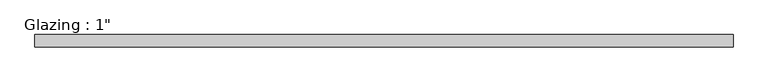
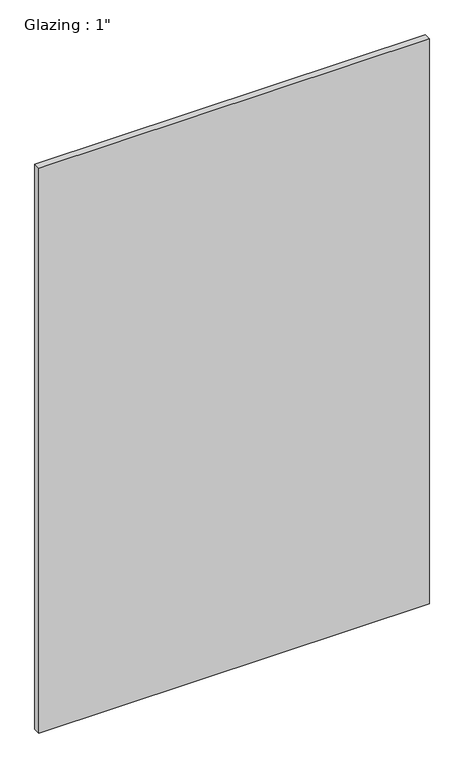
"""IFC4 building model written with IfcOpenShell, lengths in millimetres: plate geometry."""

from ifc_helpers import new_model, si_unit, origin, origin_with_axes, place, context, project, spatial, polyline, outline, extrude, source, transform, mapped, element, save


def plate_cb13481a(model_context):
    return source(origin(), model_context, "Body", "SweptSolid", [
        extrude(outline(polyline([(712.2881578, -12.7), (-712.2881578, -12.7), (-712.2881578, 12.7), (712.2881578, 12.7), (712.2881578, -12.7)])), origin_with_axes(), (0.0, 0.0, 1.0), 2177.9425731),
    ])


if __name__ == "__main__":
    model = new_model("IFC4")
    model_context = context("Model", 3, world=origin())
    ifc_project = project(units=[si_unit("LENGTHUNIT", "METRE", prefix="MILLI")], contexts=[model_context])
    site = spatial("IfcSite", under=ifc_project)
    building = spatial("IfcBuilding", under=site)
    placement = place(None, origin())
    plate_shape = plate_cb13481a(model_context)
    element("IfcPlate", 1, ObjectType="Glazing : 1\"", at=placement, inside=building, context=model_context, shape_type="MappedRepresentation", body=[
        mapped(plate_shape, transform((0.0, 0.0, 0.0), x_axis=(1.0, 0.0, 0.0), y_axis=(0.0, 1.0, 0.0), z_axis=(0.0, 0.0, 1.0))),
    ])
    save(model, "model.ifc")
